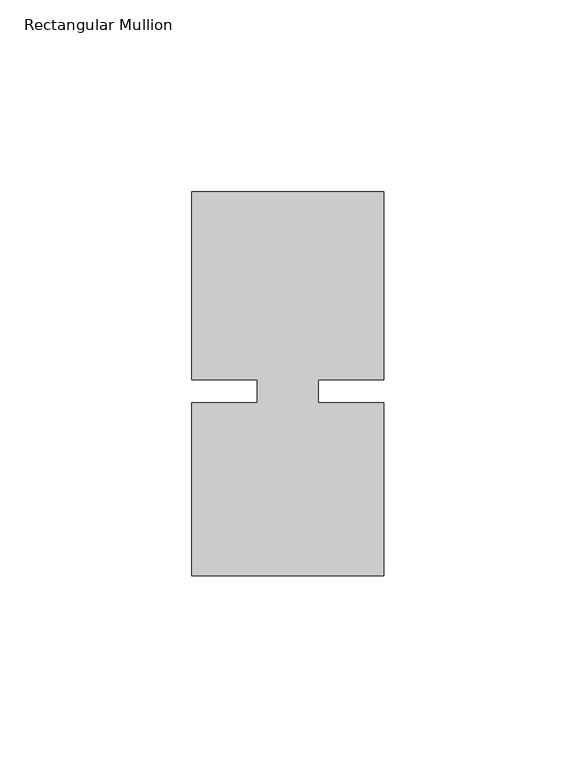
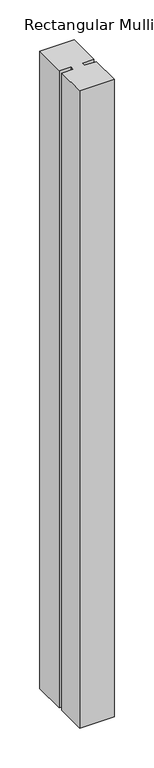
"""IFC4 building model written with IfcOpenShell, lengths in millimetres: member geometry, Rectangular Mullion."""

import ifcopenshell
import ifcopenshell.guid

model = None  # the IFC model being written
_history = None  # IfcOwnerHistory: only IFC2X3 demands one
_inside = {}  # id of a spatial element -> (the spatial element, [elements in it])
_under = {}  # id of a project, library or spatial element -> (it, [spatial elements below it])
_declared = {}  # id of a project -> (the project, [libraries it declares])
_typed = {}  # id of a type object -> (the type object, [elements of that type])
_made_of = {}  # id of a material, layer set ... -> (it, [elements and type objects made of it])


def new_model(schema):
    """Start an empty IFC model of exactly this schema.

    Asked for "IFC4X3", IfcOpenShell would pick the latest addendum, in which some entities
    have other attributes; the version numbers below select the first issue.
    IFC2X3 requires an IfcOwnerHistory on every rooted entity: one is made here for all.
    """
    global model, _history
    if schema == "IFC4X3":
        model = ifcopenshell.file(schema_version=(4, 3, 0, 0))
    else:
        model = ifcopenshell.file(schema=schema)
    _inside.clear()
    _under.clear()
    _declared.clear()
    _typed.clear()
    _made_of.clear()
    _history = None
    if model.schema == "IFC2X3":
        org = make("IfcOrganization", Name="unknown")
        user = make(
            "IfcPersonAndOrganization",
            ThePerson=make("IfcPerson", FamilyName="unknown"),
            TheOrganization=org,
        )
        app = make(
            "IfcApplication",
            ApplicationDeveloper=org,
            Version="unknown",
            ApplicationFullName="unknown",
            ApplicationIdentifier="unknown",
        )
        _history = make(
            "IfcOwnerHistory",
            OwningUser=user,
            OwningApplication=app,
            ChangeAction="ADDED",
            CreationDate=0,
        )
    return model


def make(cls, **values):
    """One entity of the class cls with the attributes given. An attribute that is None is left unset."""
    return model.create_entity(
        cls, **{name: value for name, value in values.items() if value is not None}
    )


def rooted(cls, **values):
    """An entity with a GlobalId (a new one), such as an element, a storey or a relation."""
    return make(cls, GlobalId=ifcopenshell.guid.new(), OwnerHistory=_history, **values)


def si_unit(unit_type, name, prefix=None):
    """IfcSIUnit, for example si_unit("LENGTHUNIT", "METRE", prefix="MILLI")."""
    return make("IfcSIUnit", UnitType=unit_type, Prefix=prefix, Name=name)


def assignment(units):
    """IfcUnitAssignment: the units of a project."""
    return None if units is None else make("IfcUnitAssignment", Units=units)


def point(xyz):
    """IfcCartesianPoint."""
    return None if xyz is None else make("IfcCartesianPoint", Coordinates=xyz)


def direction(xyz):
    """IfcDirection."""
    return None if xyz is None else make("IfcDirection", DirectionRatios=xyz)


def frame(location, z_axis=None, x_axis=None):
    """IfcAxis2Placement3D, a coordinate frame: its origin and axes. An axis left out is left unset."""
    return make(
        "IfcAxis2Placement3D",
        Location=point(location),
        Axis=direction(z_axis),
        RefDirection=direction(x_axis),
    )


def origin():
    """The frame at (0, 0, 0) with its axes left unset."""
    return frame((0.0, 0.0, 0.0))


def place(relative_to, where):
    """IfcLocalPlacement: puts the frame where relative to a parent placement (None: the world)."""
    return make(
        "IfcLocalPlacement", PlacementRelTo=relative_to, RelativePlacement=where
    )


def context(
    kind, dimensions, precision=None, world=None, true_north=None, identifier=None
):
    """IfcGeometricRepresentationContext, for example the 3D "Model" context."""
    return make(
        "IfcGeometricRepresentationContext",
        ContextIdentifier=identifier,
        ContextType=kind,
        CoordinateSpaceDimension=dimensions,
        Precision=precision,
        WorldCoordinateSystem=world,
        TrueNorth=true_north,
    )


def project(units=None, contexts=None):
    """IfcProject with its units and contexts."""
    return rooted(
        "IfcProject",
        Name="project",
        RepresentationContexts=contexts,
        UnitsInContext=assignment(units),
    )


def spatial(cls, under=None, at=None, **own):
    """A site, building, storey or space (cls), placed at a placement, below another one or the project."""
    s = rooted(cls, ObjectPlacement=at, **own)
    if under is not None:
        _under.setdefault(under.id(), (under, []))[1].append(s)
    return s


def polyline(points):
    """IfcPolyline through the points."""
    return make("IfcPolyline", Points=[point(p) for p in points])


def outline(outer, holes=None, kind="AREA"):
    """IfcArbitraryClosedProfileDef: a profile drawn as a closed curve; with holes, ...WithVoids."""
    if holes is None:
        return make("IfcArbitraryClosedProfileDef", ProfileType=kind, OuterCurve=outer)
    return make(
        "IfcArbitraryProfileDefWithVoids",
        ProfileType=kind,
        OuterCurve=outer,
        InnerCurves=holes,
    )


def extrude(swept, where, along, depth):
    """IfcExtrudedAreaSolid: the profile swept, set in the frame where, extruded along a direction by depth."""
    return make(
        "IfcExtrudedAreaSolid",
        SweptArea=swept,
        Position=where,
        ExtrudedDirection=direction(along),
        Depth=depth,
    )


def shape(context_of_items, identifier, shape_type, items):
    """IfcShapeRepresentation: the items that make up one representation, for example the "Body"."""
    return make(
        "IfcShapeRepresentation",
        ContextOfItems=context_of_items,
        RepresentationIdentifier=identifier,
        RepresentationType=shape_type,
        Items=items,
    )


def source(mapping_origin, context_of_items, identifier, shape_type, items):
    """IfcRepresentationMap: a shape defined once, which mapped items show again and again."""
    return make(
        "IfcRepresentationMap",
        MappingOrigin=mapping_origin,
        MappedRepresentation=shape(context_of_items, identifier, shape_type, items),
    )


def transform(
    local_origin,
    x_axis=None,
    y_axis=None,
    z_axis=None,
    scale=None,
    scale2=None,
    scale3=None,
    uniform=True,
):
    """IfcCartesianTransformationOperator3D, or its non-uniform kind. x_axis, y_axis, z_axis: its Axis1, 2, 3."""
    if uniform:
        return make(
            "IfcCartesianTransformationOperator3D",
            Axis1=direction(x_axis),
            Axis2=direction(y_axis),
            LocalOrigin=point(local_origin),
            Scale=scale,
            Axis3=direction(z_axis),
        )
    return make(
        "IfcCartesianTransformationOperator3DnonUniform",
        Axis1=direction(x_axis),
        Axis2=direction(y_axis),
        LocalOrigin=point(local_origin),
        Scale=scale,
        Axis3=direction(z_axis),
        Scale2=scale2,
        Scale3=scale3,
    )


def mapped(mapping_source, mapping_target):
    """IfcMappedItem: shows the shape of a source again, moved by a transform."""
    return make(
        "IfcMappedItem", MappingSource=mapping_source, MappingTarget=mapping_target
    )


def made_of(thing, what):
    """Note that an element or type object is made of a material, layer set ...; save() writes the relation."""
    if what is not None:
        _made_of.setdefault(what.id(), (what, []))[1].append(thing)
    return thing


def element(
    cls,
    number,
    at=None,
    inside=None,
    cuts=None,
    type_object=None,
    material=None,
    context=None,
    identifier="Body",
    shape_type=None,
    held_by="IfcProductDefinitionShape",
    body=None,
    shapes=None,
    **own,
):
    """One element of the class cls, such as IfcWall. Its Tag is "e" and its number.

    at: its placement. inside: the storey or other place that contains it. cuts: it is an
    opening in that element (IfcRelVoidsElement). A single representation is given by context,
    identifier, shape_type and body (its items); several are given by shapes. held_by: the class
    of the entity that holds the representations. save() writes the other relations.
    """
    e = rooted(cls, Tag="e%d" % number, ObjectPlacement=at, **own)
    if body is not None:
        shapes = [shape(context, identifier, shape_type, body)]
    if shapes is not None:
        e.Representation = make(held_by, Representations=shapes)
    if inside is not None:
        _inside.setdefault(inside.id(), (inside, []))[1].append(e)
    if cuts is not None:
        rooted(
            "IfcRelVoidsElement", RelatingBuildingElement=cuts, RelatedOpeningElement=e
        )
    if type_object is not None:
        _typed.setdefault(type_object.id(), (type_object, []))[1].append(e)
    return made_of(e, material)


def aggregate(whole, parts):
    """IfcRelAggregates: a whole, such as a stair, and the parts it consists of."""
    return rooted("IfcRelAggregates", RelatingObject=whole, RelatedObjects=parts)


def save(model, path):
    """Write the relations noted so far, then the file.

    IfcRelAggregates (storeys below a building ...), IfcRelContainedInSpatialStructure (elements
    in a storey), IfcRelDefinesByType, IfcRelAssociatesMaterial and IfcRelDeclares: one each for
    every whole, place, type object, material and project.
    """
    for whole, parts in _under.values():
        aggregate(whole, parts)
    for where, things in _inside.values():
        rooted(
            "IfcRelContainedInSpatialStructure",
            RelatedElements=things,
            RelatingStructure=where,
        )
    for kind, things in _typed.values():
        rooted("IfcRelDefinesByType", RelatedObjects=things, RelatingType=kind)
    for what, things in _made_of.values():
        rooted("IfcRelAssociatesMaterial", RelatedObjects=things, RelatingMaterial=what)
    for by, libraries in _declared.values():
        rooted("IfcRelDeclares", RelatingContext=by, RelatedDefinitions=libraries)
    model.write(path)


def rectangular_mullion_316f73e3(model_context):
    return source(origin(), model_context, "Body", "SweptSolid", [
        extrude(outline(polyline([(8.0004618, -3.0000161), (25.0, -3.000024), (24.9999791, -48.000024), (-25.0000209, -48.0000007), (-25.0, -3.0000007), (-8.0004617, -3.0000086), (-8.0004589, 3.0000086), (-24.9999972, 3.0000166), (-24.9999743, 51.9999993), (25.0000011, 51.9999711), (24.9999734, 2.9999933), (8.0004646, 3.0000012), (8.0004618, -3.0000161)])), frame((0.0, 0.0, -976.9293191), z_axis=(0.0, 0.0, 1.0), x_axis=(1.0, 0.0, 0.0)), (0.0, 0.0, 1.0), 976.9293191),
    ])


if __name__ == "__main__":
    model = new_model("IFC4")
    model_context = context("Model", 3, world=origin())
    ifc_project = project(units=[si_unit("LENGTHUNIT", "METRE", prefix="MILLI")], contexts=[model_context])
    site = spatial("IfcSite", under=ifc_project)
    building = spatial("IfcBuilding", under=site)
    placement = place(None, origin())
    rectangular_mullion_shape = rectangular_mullion_316f73e3(model_context)
    element("IfcMember", 1, ObjectType="Rectangular Mullion", at=placement, inside=building, context=model_context, shape_type="MappedRepresentation", body=[
        mapped(rectangular_mullion_shape, transform((0.0, 0.0, 0.0), x_axis=(1.0, 0.0, 0.0), y_axis=(0.0, 1.0, 0.0), z_axis=(0.0, 0.0, 1.0))),
    ])
    save(model, "model.ifc")
